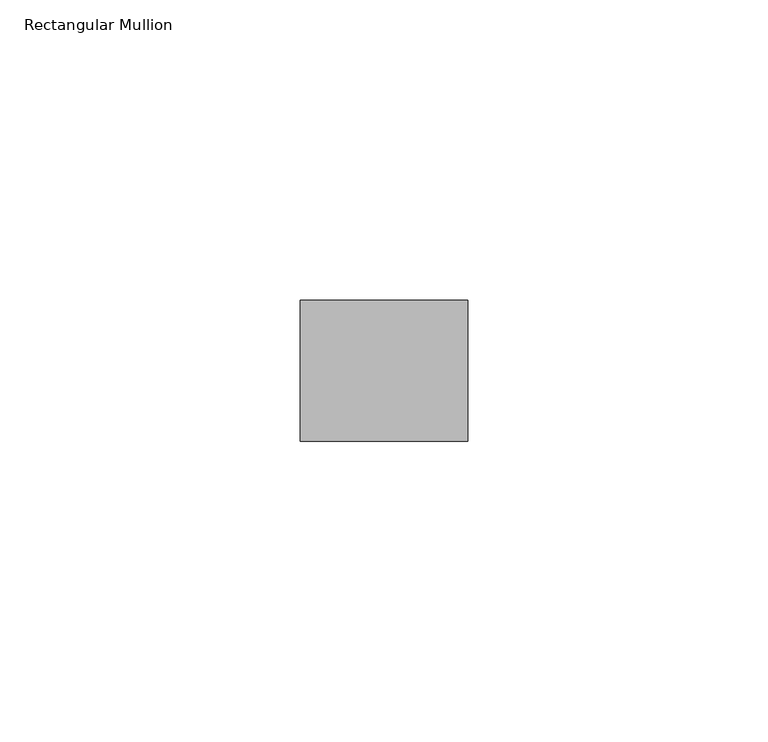
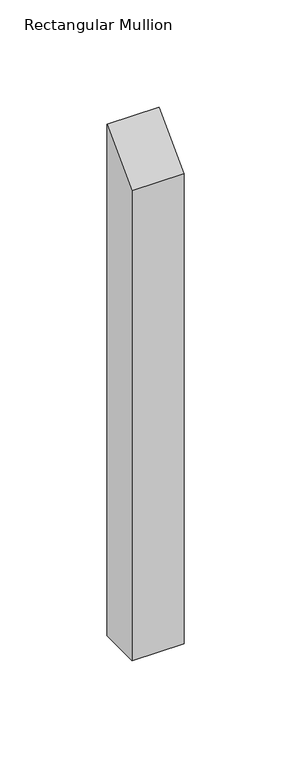
"""IFC4 building model written with IfcOpenShell, lengths in millimetres: member geometry, Rectangular Mullion."""

from ifc_helpers import new_model, si_unit, frame, origin, place, context, project, spatial, polyline, outline, extrude, source, transform, mapped, element, save


def rectangular_mullion_7e463703(model_context):
    return source(origin(), model_context, "Body", "SweptSolid", [
        extrude(outline(polyline([(-11.7474999, -11.7474999), (11.7474999, 11.7474999), (11.7474999, -279.4), (-11.7474999, -279.4), (-11.7474999, -11.7474999)])), frame((-27.94, 0.0, 0.0), z_axis=(1.0, 0.0, 0.0), x_axis=(0.0, 1.0, 0.0)), (0.0, 0.0, 1.0), 27.94),
    ])


if __name__ == "__main__":
    model = new_model("IFC4")
    model_context = context("Model", 3, world=origin())
    ifc_project = project(units=[si_unit("LENGTHUNIT", "METRE", prefix="MILLI")], contexts=[model_context])
    site = spatial("IfcSite", under=ifc_project)
    building = spatial("IfcBuilding", under=site)
    placement = place(None, origin())
    rectangular_mullion_shape = rectangular_mullion_7e463703(model_context)
    element("IfcMember", 1, ObjectType="Rectangular Mullion", at=placement, inside=building, context=model_context, shape_type="MappedRepresentation", body=[
        mapped(rectangular_mullion_shape, transform((0.0, 0.0, 0.0), x_axis=(1.0, 0.0, 0.0), y_axis=(0.0, 1.0, 0.0), z_axis=(0.0, 0.0, 1.0))),
    ])
    save(model, "model.ifc")
